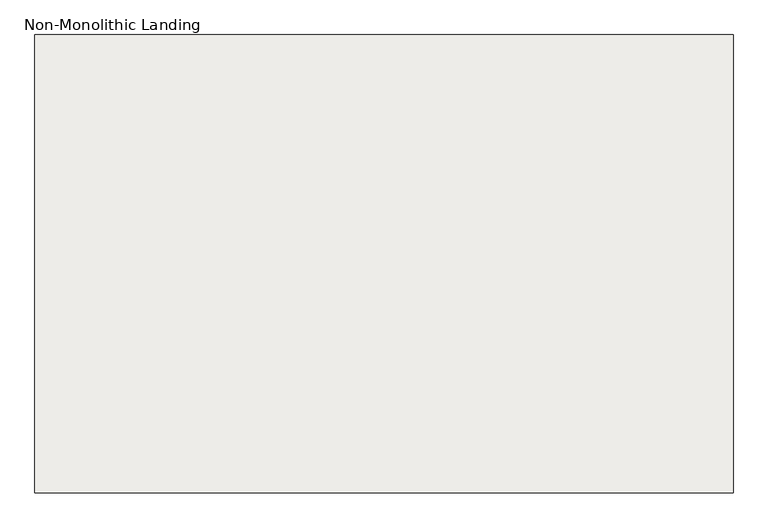
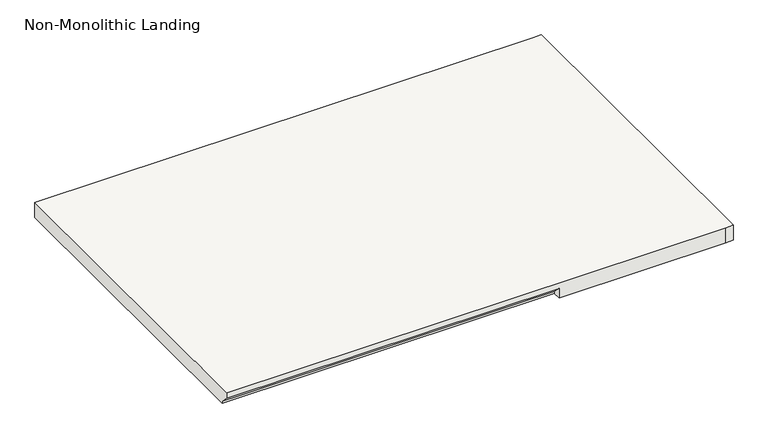
"""IFC4 building model written with IfcOpenShell, lengths in millimetres: slab geometry, Non-Monolithic Landing."""

from ifc_helpers import new_model, si_unit, origin, place, context, project, spatial, faceted_brep, source, transform, mapped, element, save


def non_monolithic_landing_6d2bdff2(model_context):
    return source(origin(), model_context, "Body", "Brep", [
        faceted_brep([(36570.4404708, -13101.150078, 1500.4676471), (36570.4404708, -13075.750078, 1475.0676471), (37637.2404708, -13075.750078, 1475.0676471), (37637.2404708, -13101.150078, 1500.4676471), (38170.6404708, -13101.150078, 1519.5176471), (38196.0404708, -13101.150078, 1519.5176471), (38196.0404708, -12034.350078, 1519.5176471), (38170.6404708, -12034.350078, 1519.5176471), (36570.4404708, -12034.350078, 1519.5176471), (36570.4404708, -13101.150078, 1519.5176471), (37637.2404708, -13075.750078, 1468.7176471), (36570.4404708, -13075.750078, 1468.7176471), (36570.4404708, -12034.350078, 1468.7176471), (38170.6404708, -12034.350078, 1468.7176471), (38196.0404708, -12034.350078, 1468.7176471), (38196.0404708, -13101.150078, 1468.7176471), (38170.6404708, -13101.150078, 1468.7176471), (37637.2404708, -13101.150078, 1468.7176471)], [[[0, 1, 2, 3]], [[4, 5, 6, 7, 8, 9]], [[10, 11, 12, 13, 14, 15, 16, 17]], [[11, 10, 2, 1]], [[10, 17, 3, 2]], [[8, 7, 13, 12]], [[9, 8, 12, 11, 1, 0]], [[4, 9, 0, 3, 17, 16]], [[5, 4, 16, 15]], [[6, 5, 15, 14]], [[7, 6, 14, 13]]]),
    ])


if __name__ == "__main__":
    model = new_model("IFC4")
    model_context = context("Model", 3, world=origin())
    ifc_project = project(units=[si_unit("LENGTHUNIT", "METRE", prefix="MILLI")], contexts=[model_context])
    site = spatial("IfcSite", under=ifc_project)
    building = spatial("IfcBuilding", under=site)
    placement = place(None, origin())
    non_monolithic_landing_shape = non_monolithic_landing_6d2bdff2(model_context)
    element("IfcSlab", 1, ObjectType="Non-Monolithic Landing", at=placement, inside=building, context=model_context, shape_type="MappedRepresentation", body=[
        mapped(non_monolithic_landing_shape, transform((0.0, 0.0, 0.0), x_axis=(1.0, 0.0, 0.0), y_axis=(0.0, 1.0, 0.0), z_axis=(0.0, 0.0, 1.0))),
    ])
    save(model, "model.ifc")
